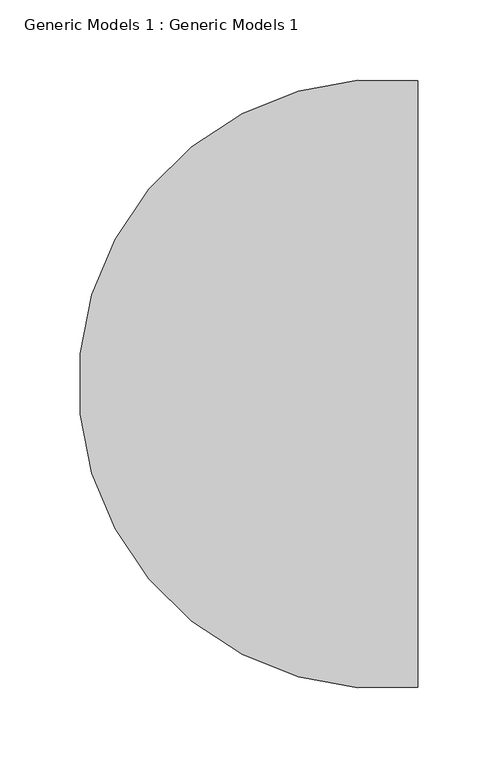
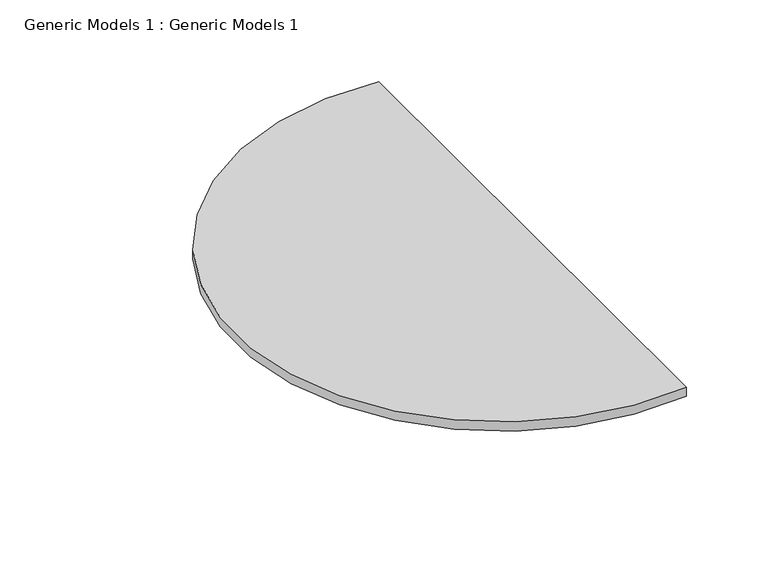
"""IFC4 building model written with IfcOpenShell, lengths in millimetres: proxy geometry, Generic Models 1 : Generic Models 1."""

from ifc_helpers import new_model, si_unit, point, frame, frame_2d, origin, place, context, project, spatial, polyline, circle_curve, trimmed, segment, composite_curve, outline, extrude, source, transform, mapped, element, save


def generic_models_1_generic_models_1_df5906c3(model_context):
    return source(origin(), model_context, "Body", "SweptSolid", [
        extrude(outline(composite_curve([segment(trimmed(circle_curve(frame_2d((23972.012235, -14094.6633649)), 190.5), [point((23993.443485, -14283.9540185))], [point((23993.443485, -13905.3727113))], False, "CARTESIAN"), True, "CONTINUOUS"), segment(polyline([(23993.443485, -13905.3727113), (23993.443485, -14283.9540185)]), True, "CONTINUOUS")], self_intersect=False)), frame((0.0, 0.0, 950.2714721), z_axis=(0.0, 0.0, 1.0), x_axis=(1.0, 0.0, 0.0)), (0.0, 0.0, 1.0), 6.8918091),
    ])


if __name__ == "__main__":
    model = new_model("IFC4")
    model_context = context("Model", 3, world=origin())
    ifc_project = project(units=[si_unit("LENGTHUNIT", "METRE", prefix="MILLI")], contexts=[model_context])
    site = spatial("IfcSite", under=ifc_project)
    building = spatial("IfcBuilding", under=site)
    placement = place(None, origin())
    generic_models_1_generic_models_1_shape = generic_models_1_generic_models_1_df5906c3(model_context)
    element("IfcBuildingElementProxy", 1, Name="Generic Models 1 : Generic Models 1", ObjectType="Generic Models 1 : Generic Models 1", at=placement, inside=building, context=model_context, shape_type="MappedRepresentation", body=[
        mapped(generic_models_1_generic_models_1_shape, transform((0.0, 0.0, 0.0), x_axis=(1.0, 0.0, 0.0), y_axis=(0.0, 1.0, 0.0), z_axis=(0.0, 0.0, 1.0))),
    ])
    save(model, "model.ifc")
